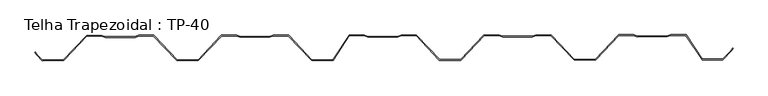
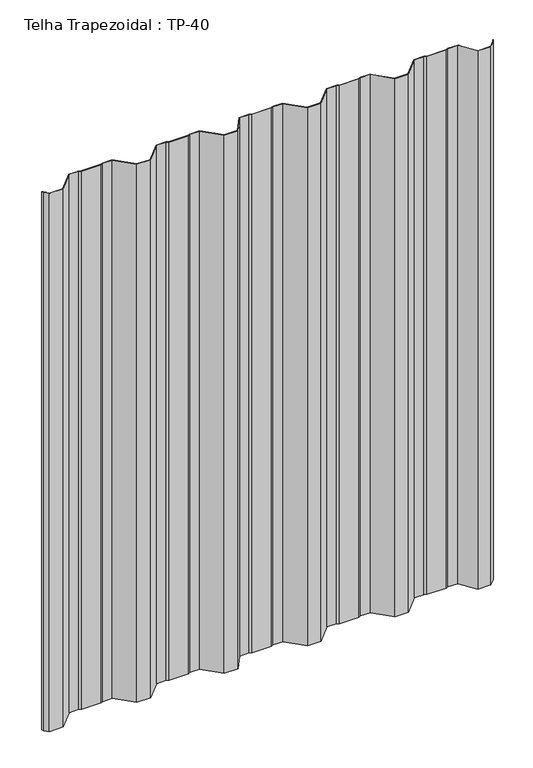
"""IFC4 building model written with IfcOpenShell, lengths in millimetres: proxy geometry, Telha Trapezoidal : TP-40."""

from ifc_helpers import new_model, si_unit, origin, origin_with_axes, place, context, project, spatial, polyline, outline, extrude, source, transform, mapped, element, save


def telha_trapezoidal_tp_40_e9246d70(model_context):
    return source(origin(), model_context, "Body", "SweptSolid", [
        extrude(outline(polyline([(520.2660997, -18.3139742), (517.7856954, -22.6204656), (504.9843525, -35.448381), (474.2208942, -35.4802765), (449.8917442, 0.9211759), (427.5055041, 0.8979659), (422.403493, -1.1489772), (377.8803548, -1.1951387), (372.7741101, 0.8412205), (350.7001537, 0.8183343), (316.0301857, -35.9673722), (284.2438172, -36.0003282), (249.4976452, 0.7134078), (227.4236887, 0.6905215), (222.3216776, -1.3564216), (177.7985394, -1.4025831), (172.6922947, 0.6337762), (150.6183383, 0.6108899), (115.9483703, -36.1748165), (84.1620018, -36.2077725), (49.4158298, 0.5059634), (27.3418733, 0.4830772), (22.2398622, -1.5638659), (-22.283276, -1.6100274), (-27.3895207, 0.4263318), (-49.4634771, 0.4034456), (-73.9251399, -36.3822609), (-105.7115084, -36.4152169), (-140.4576804, 0.2985191), (-162.5316369, 0.2756328), (-167.633648, -1.7713103), (-212.1567862, -1.8174718), (-217.2630309, 0.2188875), (-239.3369873, 0.1960012), (-274.0069553, -36.5897052), (-305.7933238, -36.6226612), (-340.5394958, 0.0910747), (-362.6134523, 0.0681885), (-367.7154634, -1.9787546), (-412.2386016, -2.0249161), (-417.3448463, 0.0114431), (-439.4188027, -0.0114431), (-474.0887707, -36.7971496), (-505.8923228, -36.8301234), (-514.1688617, -28.5707289), (-516.6581905, -24.2693901), (-515.792684, -23.7684925), (-513.3692996, -27.9558852), (-505.4791462, -35.8296945), (-474.5208538, -35.797597), (-439.8508858, 0.9881094), (-417.1533008, 1.0116422), (-412.0470561, -1.024717), (-367.9090825, -0.9789548), (-362.8070714, 1.0679883), (-340.1094864, 1.0915211), (-305.3633143, -35.6222149), (-274.4390384, -35.5901526), (-239.7690704, 1.1955538), (-217.0714854, 1.2190866), (-211.9652407, -0.8172726), (-167.8272671, -0.7715105), (-162.725256, 1.2754326), (-140.027671, 1.2989654), (-105.2814989, -35.4147705), (-74.4614461, -35.3828164), (-49.9997833, 1.4028901), (-27.1979752, 1.4265309), (-22.0917305, -0.6098283), (22.0462431, -0.5640661), (27.1482542, 1.482877), (49.8458392, 1.5064098), (84.5920113, -35.2073262), (115.5162872, -35.1752639), (150.1862552, 1.6104425), (172.8838402, 1.6339753), (177.9900849, -0.4023839), (222.1280585, -0.3566218), (227.2300696, 1.6903213), (249.9276546, 1.7138541), (284.6738267, -34.9998818), (315.5981026, -34.9678196), (350.2680706, 1.8178868), (372.9656556, 1.8414196), (378.0719004, -0.1949396), (422.2098739, -0.1491774), (427.311885, 1.8977657), (450.4258058, 1.9217301), (474.7549558, -34.4797222), (504.5691023, -34.448811), (516.9848601, -22.0072812), (519.3995564, -17.8148723), (520.2660997, -18.3139742)])), origin_with_axes(), (0.0, 0.0, 1.0), 1300.0),
    ])


if __name__ == "__main__":
    model = new_model("IFC4")
    model_context = context("Model", 3, world=origin())
    ifc_project = project(units=[si_unit("LENGTHUNIT", "METRE", prefix="MILLI")], contexts=[model_context])
    site = spatial("IfcSite", under=ifc_project)
    building = spatial("IfcBuilding", under=site)
    placement = place(None, origin())
    telha_trapezoidal_tp_40_shape = telha_trapezoidal_tp_40_e9246d70(model_context)
    element("IfcBuildingElementProxy", 1, Name="Telha Trapezoidal : TP-40", ObjectType="Telha Trapezoidal : TP-40", at=placement, inside=building, context=model_context, shape_type="MappedRepresentation", body=[
        mapped(telha_trapezoidal_tp_40_shape, transform((0.0, 0.0, 0.0), x_axis=(1.0, 0.0, 0.0), y_axis=(0.0, 1.0, 0.0), z_axis=(0.0, 0.0, 1.0))),
    ])
    save(model, "model.ifc")
